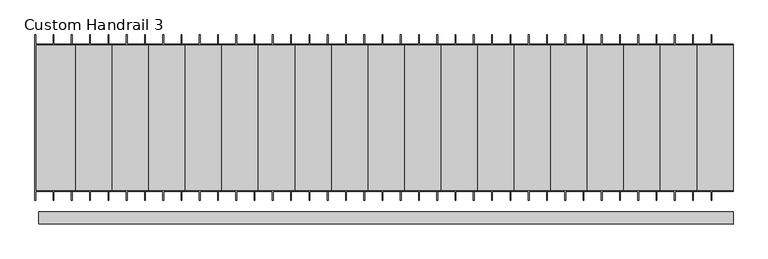
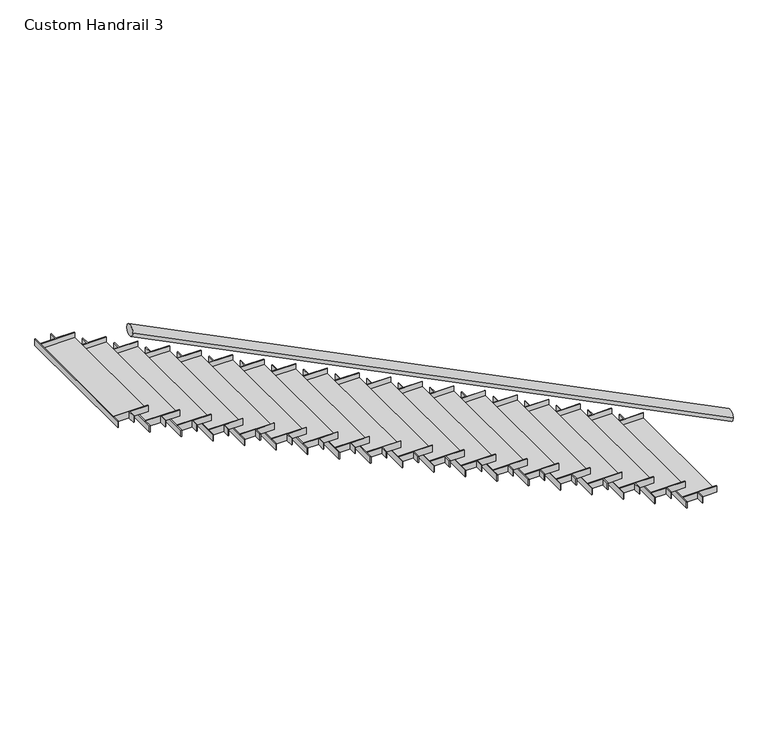
"""IFC4 building model written with IfcOpenShell, lengths in millimetres: railing geometry, Custom Handrail 3."""

from ifc_helpers import new_model, si_unit, frame, origin, place, context, project, spatial, ellipse_curve, faceted_brep, source, transform, mapped, element, save
from ifc_brep_helpers import plane_surface, cylinder_surface, advanced_brep


def custom_handrail_3_3614aa0b(model_context):
    return source(origin(), model_context, "Body", "SolidModel", [
        advanced_brep(
        [(216.7479602, 237.3735586, 1010.0038734), (216.7479602, 338.9735586, 1010.0038734), (-5574.4520398, 237.3735586, 3905.6038734), (-5574.4520398, 338.9735586, 3905.6038734)],
        [
            (0, 1, ellipse_curve(frame((216.7479602, 288.1735586, 1010.0038734), z_axis=(1.0, 0.0, 0.0), x_axis=(0.0, 0.0, -1.0)), 56.7961266, 50.8)),
            (1, 0, ellipse_curve(frame((216.7479602, 288.1735586, 1010.0038734), z_axis=(1.0, 0.0, 0.0), x_axis=(0.0, 0.0, -1.0)), 56.7961266, 50.8)),
            (2, 3, ellipse_curve(frame((-5574.4520398, 288.1735586, 3905.6038734), z_axis=(-1.0, 0.0, 0.0), x_axis=(0.0, 0.0, -1.0)), 56.7961266, 50.8)),
            (3, 2, ellipse_curve(frame((-5574.4520398, 288.1735586, 3905.6038734), z_axis=(-1.0, 0.0, 0.0), x_axis=(0.0, 0.0, -1.0)), 56.7961266, 50.8)),
            (0, 2),
            (3, 1),
        ],
        [
            plane_surface(frame((216.7479602, 288.1735586, 1066.8), z_axis=(1.0, 0.0, 0.0), x_axis=(0.0, -1.0, 0.0))),
            plane_surface(frame((-5574.4520398, 288.1735586, 3962.4), z_axis=(-1.0, 0.0, 0.0), x_axis=(0.0, -1.0, 0.0))),
            cylinder_surface(frame((194.0295095, 288.1735586, 1021.3630987), z_axis=(0.894427190999916, 0.0, -0.447213595499958), x_axis=(0.0, 1.0, 0.0)), 50.8),
        ],
        [
            (0, [[1, 2]]),
            (1, [[3, 4]]),
            (2, [[-1, 5, -4, 6]]),
            (2, [[-2, -6, -3, -5]]),
        ],
    ),
        faceted_brep([(-5269.6520398, 1742.3235586, 2895.6), (-5269.6520398, 1735.9735586, 2895.6), (-5269.6520398, 1735.9735586, 2844.8), (-5269.6520398, 516.7735586, 2844.8), (-5269.6520398, 516.7735586, 2895.6), (-5269.6520398, 510.4235586, 2895.6), (-5269.6520398, 510.4235586, 2832.1), (-5269.6520398, 1742.3235586, 2832.1), (-5447.4520398, 1742.3235586, 2832.1), (-5447.4520398, 1742.3235586, 2895.6), (-5599.8520398, 1742.3235586, 2895.6), (-5453.8020398, 1742.3235586, 2895.6), (-5453.8020398, 1742.3235586, 2832.1), (-5599.8520398, 1742.3235586, 2832.1), (-5447.4520398, 1818.5235586, 2895.6), (-5453.8020398, 1818.5235586, 2895.6), (-5599.8520398, 1818.5235586, 2895.6), (-5606.2020398, 1818.5235586, 2895.6), (-5606.2020398, 434.2235586, 2895.6), (-5599.8520398, 434.2235586, 2895.6), (-5599.8520398, 510.4235586, 2895.6), (-5453.8020398, 510.4235586, 2895.6), (-5453.8020398, 434.2235586, 2895.6), (-5447.4520398, 434.2235586, 2895.6), (-5447.4520398, 510.4235586, 2895.6), (-5599.8520398, 516.7735586, 2895.6), (-5599.8520398, 1735.9735586, 2895.6), (-5599.8520398, 1735.9735586, 2844.8), (-5606.2020398, 1818.5235586, 2832.1), (-5606.2020398, 434.2235586, 2832.1), (-5599.8520398, 516.7735586, 2844.8), (-5447.4520398, 510.4235586, 2832.1), (-5599.8520398, 510.4235586, 2832.1), (-5453.8020398, 510.4235586, 2832.1), (-5447.4520398, 434.2235586, 2832.1), (-5453.8020398, 434.2235586, 2832.1), (-5599.8520398, 434.2235586, 2832.1), (-5599.8520398, 1818.5235586, 2832.1), (-5453.8020398, 1818.5235586, 2832.1), (-5447.4520398, 1818.5235586, 2832.1)], [[[0, 1, 2, 3, 4, 5, 6, 7]], [[0, 7, 8, 9]], [[10, 11, 12, 13]], [[1, 0, 9, 14, 15, 11, 10, 16, 17, 18, 19, 20, 21, 22, 23, 24, 5, 4, 25, 26]], [[2, 1, 26, 27]], [[18, 17, 28, 29]], [[26, 25, 30, 27]], [[6, 5, 24, 31]], [[21, 20, 32, 33]], [[25, 4, 3, 30]], [[3, 2, 27, 30]], [[7, 6, 31, 34, 35, 33, 32, 36, 29, 28, 37, 13, 12, 38, 39, 8]], [[19, 18, 29, 36]], [[20, 19, 36, 32]], [[23, 22, 35, 34]], [[24, 23, 34, 31]], [[22, 21, 33, 35]], [[16, 10, 13, 37]], [[17, 16, 37, 28]], [[11, 15, 38, 12]], [[14, 9, 8, 39]], [[15, 14, 39, 38]]]),
        faceted_brep([(-4964.8520398, 1742.3235586, 2743.2), (-4964.8520398, 1735.9735586, 2743.2), (-4964.8520398, 1735.9735586, 2692.4), (-4964.8520398, 516.7735586, 2692.4), (-4964.8520398, 516.7735586, 2743.2), (-4964.8520398, 510.4235586, 2743.2), (-4964.8520398, 510.4235586, 2679.7), (-4964.8520398, 1742.3235586, 2679.7), (-5142.6520398, 1742.3235586, 2679.7), (-5142.6520398, 1742.3235586, 2743.2), (-5295.0520398, 1742.3235586, 2743.2), (-5149.0020398, 1742.3235586, 2743.2), (-5149.0020398, 1742.3235586, 2679.7), (-5295.0520398, 1742.3235586, 2679.7), (-5142.6520398, 1818.5235586, 2743.2), (-5149.0020398, 1818.5235586, 2743.2), (-5295.0520398, 1818.5235586, 2743.2), (-5301.4020398, 1818.5235586, 2743.2), (-5301.4020398, 434.2235586, 2743.2), (-5295.0520398, 434.2235586, 2743.2), (-5295.0520398, 510.4235586, 2743.2), (-5149.0020398, 510.4235586, 2743.2), (-5149.0020398, 434.2235586, 2743.2), (-5142.6520398, 434.2235586, 2743.2), (-5142.6520398, 510.4235586, 2743.2), (-5295.0520398, 516.7735586, 2743.2), (-5295.0520398, 1735.9735586, 2743.2), (-5295.0520398, 1735.9735586, 2692.4), (-5301.4020398, 1818.5235586, 2679.7), (-5301.4020398, 434.2235586, 2679.7), (-5295.0520398, 516.7735586, 2692.4), (-5142.6520398, 510.4235586, 2679.7), (-5295.0520398, 510.4235586, 2679.7), (-5149.0020398, 510.4235586, 2679.7), (-5142.6520398, 434.2235586, 2679.7), (-5149.0020398, 434.2235586, 2679.7), (-5295.0520398, 434.2235586, 2679.7), (-5295.0520398, 1818.5235586, 2679.7), (-5149.0020398, 1818.5235586, 2679.7), (-5142.6520398, 1818.5235586, 2679.7)], [[[0, 1, 2, 3, 4, 5, 6, 7]], [[0, 7, 8, 9]], [[10, 11, 12, 13]], [[1, 0, 9, 14, 15, 11, 10, 16, 17, 18, 19, 20, 21, 22, 23, 24, 5, 4, 25, 26]], [[2, 1, 26, 27]], [[18, 17, 28, 29]], [[26, 25, 30, 27]], [[6, 5, 24, 31]], [[21, 20, 32, 33]], [[25, 4, 3, 30]], [[3, 2, 27, 30]], [[7, 6, 31, 34, 35, 33, 32, 36, 29, 28, 37, 13, 12, 38, 39, 8]], [[19, 18, 29, 36]], [[20, 19, 36, 32]], [[23, 22, 35, 34]], [[24, 23, 34, 31]], [[22, 21, 33, 35]], [[16, 10, 13, 37]], [[17, 16, 37, 28]], [[11, 15, 38, 12]], [[14, 9, 8, 39]], [[15, 14, 39, 38]]]),
        faceted_brep([(-4660.0520398, 1742.3235586, 2590.8), (-4660.0520398, 1735.9735586, 2590.8), (-4660.0520398, 1735.9735586, 2540.0), (-4660.0520398, 516.7735586, 2540.0), (-4660.0520398, 516.7735586, 2590.8), (-4660.0520398, 510.4235586, 2590.8), (-4660.0520398, 510.4235586, 2527.3), (-4660.0520398, 1742.3235586, 2527.3), (-4837.8520398, 1742.3235586, 2527.3), (-4837.8520398, 1742.3235586, 2590.8), (-4990.2520398, 1742.3235586, 2590.8), (-4844.2020398, 1742.3235586, 2590.8), (-4844.2020398, 1742.3235586, 2527.3), (-4990.2520398, 1742.3235586, 2527.3), (-4837.8520398, 1818.5235586, 2590.8), (-4844.2020398, 1818.5235586, 2590.8), (-4990.2520398, 1818.5235586, 2590.8), (-4996.6020398, 1818.5235586, 2590.8), (-4996.6020398, 434.2235586, 2590.8), (-4990.2520398, 434.2235586, 2590.8), (-4990.2520398, 510.4235586, 2590.8), (-4844.2020398, 510.4235586, 2590.8), (-4844.2020398, 434.2235586, 2590.8), (-4837.8520398, 434.2235586, 2590.8), (-4837.8520398, 510.4235586, 2590.8), (-4990.2520398, 516.7735586, 2590.8), (-4990.2520398, 1735.9735586, 2590.8), (-4990.2520398, 1735.9735586, 2540.0), (-4996.6020398, 1818.5235586, 2527.3), (-4996.6020398, 434.2235586, 2527.3), (-4990.2520398, 516.7735586, 2540.0), (-4837.8520398, 510.4235586, 2527.3), (-4990.2520398, 510.4235586, 2527.3), (-4844.2020398, 510.4235586, 2527.3), (-4837.8520398, 434.2235586, 2527.3), (-4844.2020398, 434.2235586, 2527.3), (-4990.2520398, 434.2235586, 2527.3), (-4990.2520398, 1818.5235586, 2527.3), (-4844.2020398, 1818.5235586, 2527.3), (-4837.8520398, 1818.5235586, 2527.3)], [[[0, 1, 2, 3, 4, 5, 6, 7]], [[0, 7, 8, 9]], [[10, 11, 12, 13]], [[1, 0, 9, 14, 15, 11, 10, 16, 17, 18, 19, 20, 21, 22, 23, 24, 5, 4, 25, 26]], [[2, 1, 26, 27]], [[18, 17, 28, 29]], [[26, 25, 30, 27]], [[6, 5, 24, 31]], [[21, 20, 32, 33]], [[25, 4, 3, 30]], [[3, 2, 27, 30]], [[7, 6, 31, 34, 35, 33, 32, 36, 29, 28, 37, 13, 12, 38, 39, 8]], [[19, 18, 29, 36]], [[20, 19, 36, 32]], [[23, 22, 35, 34]], [[24, 23, 34, 31]], [[22, 21, 33, 35]], [[16, 10, 13, 37]], [[17, 16, 37, 28]], [[11, 15, 38, 12]], [[14, 9, 8, 39]], [[15, 14, 39, 38]]]),
        faceted_brep([(-4355.2520398, 1742.3235586, 2438.4), (-4355.2520398, 1735.9735586, 2438.4), (-4355.2520398, 1735.9735586, 2387.6), (-4355.2520398, 516.7735586, 2387.6), (-4355.2520398, 516.7735586, 2438.4), (-4355.2520398, 510.4235586, 2438.4), (-4355.2520398, 510.4235586, 2374.9), (-4355.2520398, 1742.3235586, 2374.9), (-4533.0520398, 1742.3235586, 2374.9), (-4533.0520398, 1742.3235586, 2438.4), (-4685.4520398, 1742.3235586, 2438.4), (-4539.4020398, 1742.3235586, 2438.4), (-4539.4020398, 1742.3235586, 2374.9), (-4685.4520398, 1742.3235586, 2374.9), (-4533.0520398, 1818.5235586, 2438.4), (-4539.4020398, 1818.5235586, 2438.4), (-4685.4520398, 1818.5235586, 2438.4), (-4691.8020398, 1818.5235586, 2438.4), (-4691.8020398, 434.2235586, 2438.4), (-4685.4520398, 434.2235586, 2438.4), (-4685.4520398, 510.4235586, 2438.4), (-4539.4020398, 510.4235586, 2438.4), (-4539.4020398, 434.2235586, 2438.4), (-4533.0520398, 434.2235586, 2438.4), (-4533.0520398, 510.4235586, 2438.4), (-4685.4520398, 516.7735586, 2438.4), (-4685.4520398, 1735.9735586, 2438.4), (-4685.4520398, 1735.9735586, 2387.6), (-4691.8020398, 1818.5235586, 2374.9), (-4691.8020398, 434.2235586, 2374.9), (-4685.4520398, 516.7735586, 2387.6), (-4533.0520398, 510.4235586, 2374.9), (-4685.4520398, 510.4235586, 2374.9), (-4539.4020398, 510.4235586, 2374.9), (-4533.0520398, 434.2235586, 2374.9), (-4539.4020398, 434.2235586, 2374.9), (-4685.4520398, 434.2235586, 2374.9), (-4685.4520398, 1818.5235586, 2374.9), (-4539.4020398, 1818.5235586, 2374.9), (-4533.0520398, 1818.5235586, 2374.9)], [[[0, 1, 2, 3, 4, 5, 6, 7]], [[0, 7, 8, 9]], [[10, 11, 12, 13]], [[1, 0, 9, 14, 15, 11, 10, 16, 17, 18, 19, 20, 21, 22, 23, 24, 5, 4, 25, 26]], [[2, 1, 26, 27]], [[18, 17, 28, 29]], [[26, 25, 30, 27]], [[6, 5, 24, 31]], [[21, 20, 32, 33]], [[25, 4, 3, 30]], [[3, 2, 27, 30]], [[7, 6, 31, 34, 35, 33, 32, 36, 29, 28, 37, 13, 12, 38, 39, 8]], [[19, 18, 29, 36]], [[20, 19, 36, 32]], [[23, 22, 35, 34]], [[24, 23, 34, 31]], [[22, 21, 33, 35]], [[16, 10, 13, 37]], [[17, 16, 37, 28]], [[11, 15, 38, 12]], [[14, 9, 8, 39]], [[15, 14, 39, 38]]]),
        faceted_brep([(-4050.4520398, 1742.3235586, 2286.0), (-4050.4520398, 1735.9735586, 2286.0), (-4050.4520398, 1735.9735586, 2235.2), (-4050.4520398, 516.7735586, 2235.2), (-4050.4520398, 516.7735586, 2286.0), (-4050.4520398, 510.4235586, 2286.0), (-4050.4520398, 510.4235586, 2222.5), (-4050.4520398, 1742.3235586, 2222.5), (-4228.2520398, 1742.3235586, 2222.5), (-4228.2520398, 1742.3235586, 2286.0), (-4380.6520398, 1742.3235586, 2286.0), (-4234.6020398, 1742.3235586, 2286.0), (-4234.6020398, 1742.3235586, 2222.5), (-4380.6520398, 1742.3235586, 2222.5), (-4228.2520398, 1818.5235586, 2286.0), (-4234.6020398, 1818.5235586, 2286.0), (-4380.6520398, 1818.5235586, 2286.0), (-4387.0020398, 1818.5235586, 2286.0), (-4387.0020398, 434.2235586, 2286.0), (-4380.6520398, 434.2235586, 2286.0), (-4380.6520398, 510.4235586, 2286.0), (-4234.6020398, 510.4235586, 2286.0), (-4234.6020398, 434.2235586, 2286.0), (-4228.2520398, 434.2235586, 2286.0), (-4228.2520398, 510.4235586, 2286.0), (-4380.6520398, 516.7735586, 2286.0), (-4380.6520398, 1735.9735586, 2286.0), (-4380.6520398, 1735.9735586, 2235.2), (-4387.0020398, 1818.5235586, 2222.5), (-4387.0020398, 434.2235586, 2222.5), (-4380.6520398, 516.7735586, 2235.2), (-4228.2520398, 510.4235586, 2222.5), (-4380.6520398, 510.4235586, 2222.5), (-4234.6020398, 510.4235586, 2222.5), (-4228.2520398, 434.2235586, 2222.5), (-4234.6020398, 434.2235586, 2222.5), (-4380.6520398, 434.2235586, 2222.5), (-4380.6520398, 1818.5235586, 2222.5), (-4234.6020398, 1818.5235586, 2222.5), (-4228.2520398, 1818.5235586, 2222.5)], [[[0, 1, 2, 3, 4, 5, 6, 7]], [[0, 7, 8, 9]], [[10, 11, 12, 13]], [[1, 0, 9, 14, 15, 11, 10, 16, 17, 18, 19, 20, 21, 22, 23, 24, 5, 4, 25, 26]], [[2, 1, 26, 27]], [[18, 17, 28, 29]], [[26, 25, 30, 27]], [[6, 5, 24, 31]], [[21, 20, 32, 33]], [[25, 4, 3, 30]], [[3, 2, 27, 30]], [[7, 6, 31, 34, 35, 33, 32, 36, 29, 28, 37, 13, 12, 38, 39, 8]], [[19, 18, 29, 36]], [[20, 19, 36, 32]], [[23, 22, 35, 34]], [[24, 23, 34, 31]], [[22, 21, 33, 35]], [[16, 10, 13, 37]], [[17, 16, 37, 28]], [[11, 15, 38, 12]], [[14, 9, 8, 39]], [[15, 14, 39, 38]]]),
        faceted_brep([(-3745.6520398, 1742.3235586, 2133.6), (-3745.6520398, 1735.9735586, 2133.6), (-3745.6520398, 1735.9735586, 2082.8), (-3745.6520398, 516.7735586, 2082.8), (-3745.6520398, 516.7735586, 2133.6), (-3745.6520398, 510.4235586, 2133.6), (-3745.6520398, 510.4235586, 2070.1), (-3745.6520398, 1742.3235586, 2070.1), (-3923.4520398, 1742.3235586, 2070.1), (-3923.4520398, 1742.3235586, 2133.6), (-4075.8520398, 1742.3235586, 2133.6), (-3929.8020398, 1742.3235586, 2133.6), (-3929.8020398, 1742.3235586, 2070.1), (-4075.8520398, 1742.3235586, 2070.1), (-3923.4520398, 1818.5235586, 2133.6), (-3929.8020398, 1818.5235586, 2133.6), (-4075.8520398, 1818.5235586, 2133.6), (-4082.2020398, 1818.5235586, 2133.6), (-4082.2020398, 434.2235586, 2133.6), (-4075.8520398, 434.2235586, 2133.6), (-4075.8520398, 510.4235586, 2133.6), (-3929.8020398, 510.4235586, 2133.6), (-3929.8020398, 434.2235586, 2133.6), (-3923.4520398, 434.2235586, 2133.6), (-3923.4520398, 510.4235586, 2133.6), (-4075.8520398, 516.7735586, 2133.6), (-4075.8520398, 1735.9735586, 2133.6), (-4075.8520398, 1735.9735586, 2082.8), (-4082.2020398, 1818.5235586, 2070.1), (-4082.2020398, 434.2235586, 2070.1), (-4075.8520398, 516.7735586, 2082.8), (-3923.4520398, 510.4235586, 2070.1), (-4075.8520398, 510.4235586, 2070.1), (-3929.8020398, 510.4235586, 2070.1), (-3923.4520398, 434.2235586, 2070.1), (-3929.8020398, 434.2235586, 2070.1), (-4075.8520398, 434.2235586, 2070.1), (-4075.8520398, 1818.5235586, 2070.1), (-3929.8020398, 1818.5235586, 2070.1), (-3923.4520398, 1818.5235586, 2070.1)], [[[0, 1, 2, 3, 4, 5, 6, 7]], [[0, 7, 8, 9]], [[10, 11, 12, 13]], [[1, 0, 9, 14, 15, 11, 10, 16, 17, 18, 19, 20, 21, 22, 23, 24, 5, 4, 25, 26]], [[2, 1, 26, 27]], [[18, 17, 28, 29]], [[26, 25, 30, 27]], [[6, 5, 24, 31]], [[21, 20, 32, 33]], [[25, 4, 3, 30]], [[3, 2, 27, 30]], [[7, 6, 31, 34, 35, 33, 32, 36, 29, 28, 37, 13, 12, 38, 39, 8]], [[19, 18, 29, 36]], [[20, 19, 36, 32]], [[23, 22, 35, 34]], [[24, 23, 34, 31]], [[22, 21, 33, 35]], [[16, 10, 13, 37]], [[17, 16, 37, 28]], [[11, 15, 38, 12]], [[14, 9, 8, 39]], [[15, 14, 39, 38]]]),
        faceted_brep([(-3440.8520398, 1742.3235586, 1981.2), (-3440.8520398, 1735.9735586, 1981.2), (-3440.8520398, 1735.9735586, 1930.4), (-3440.8520398, 516.7735586, 1930.4), (-3440.8520398, 516.7735586, 1981.2), (-3440.8520398, 510.4235586, 1981.2), (-3440.8520398, 510.4235586, 1917.7), (-3440.8520398, 1742.3235586, 1917.7), (-3618.6520398, 1742.3235586, 1917.7), (-3618.6520398, 1742.3235586, 1981.2), (-3771.0520398, 1742.3235586, 1981.2), (-3625.0020398, 1742.3235586, 1981.2), (-3625.0020398, 1742.3235586, 1917.7), (-3771.0520398, 1742.3235586, 1917.7), (-3618.6520398, 1818.5235586, 1981.2), (-3625.0020398, 1818.5235586, 1981.2), (-3771.0520398, 1818.5235586, 1981.2), (-3777.4020398, 1818.5235586, 1981.2), (-3777.4020398, 434.2235586, 1981.2), (-3771.0520398, 434.2235586, 1981.2), (-3771.0520398, 510.4235586, 1981.2), (-3625.0020398, 510.4235586, 1981.2), (-3625.0020398, 434.2235586, 1981.2), (-3618.6520398, 434.2235586, 1981.2), (-3618.6520398, 510.4235586, 1981.2), (-3771.0520398, 516.7735586, 1981.2), (-3771.0520398, 1735.9735586, 1981.2), (-3771.0520398, 1735.9735586, 1930.4), (-3777.4020398, 1818.5235586, 1917.7), (-3777.4020398, 434.2235586, 1917.7), (-3771.0520398, 516.7735586, 1930.4), (-3618.6520398, 510.4235586, 1917.7), (-3771.0520398, 510.4235586, 1917.7), (-3625.0020398, 510.4235586, 1917.7), (-3618.6520398, 434.2235586, 1917.7), (-3625.0020398, 434.2235586, 1917.7), (-3771.0520398, 434.2235586, 1917.7), (-3771.0520398, 1818.5235586, 1917.7), (-3625.0020398, 1818.5235586, 1917.7), (-3618.6520398, 1818.5235586, 1917.7)], [[[0, 1, 2, 3, 4, 5, 6, 7]], [[0, 7, 8, 9]], [[10, 11, 12, 13]], [[1, 0, 9, 14, 15, 11, 10, 16, 17, 18, 19, 20, 21, 22, 23, 24, 5, 4, 25, 26]], [[2, 1, 26, 27]], [[18, 17, 28, 29]], [[26, 25, 30, 27]], [[6, 5, 24, 31]], [[21, 20, 32, 33]], [[25, 4, 3, 30]], [[3, 2, 27, 30]], [[7, 6, 31, 34, 35, 33, 32, 36, 29, 28, 37, 13, 12, 38, 39, 8]], [[19, 18, 29, 36]], [[20, 19, 36, 32]], [[23, 22, 35, 34]], [[24, 23, 34, 31]], [[22, 21, 33, 35]], [[16, 10, 13, 37]], [[17, 16, 37, 28]], [[11, 15, 38, 12]], [[14, 9, 8, 39]], [[15, 14, 39, 38]]]),
        faceted_brep([(-3136.0520398, 1742.3235586, 1828.8), (-3136.0520398, 1735.9735586, 1828.8), (-3136.0520398, 1735.9735586, 1778.0), (-3136.0520398, 516.7735586, 1778.0), (-3136.0520398, 516.7735586, 1828.8), (-3136.0520398, 510.4235586, 1828.8), (-3136.0520398, 510.4235586, 1765.3), (-3136.0520398, 1742.3235586, 1765.3), (-3313.8520398, 1742.3235586, 1765.3), (-3313.8520398, 1742.3235586, 1828.8), (-3466.2520398, 1742.3235586, 1828.8), (-3320.2020398, 1742.3235586, 1828.8), (-3320.2020398, 1742.3235586, 1765.3), (-3466.2520398, 1742.3235586, 1765.3), (-3313.8520398, 1818.5235586, 1828.8), (-3320.2020398, 1818.5235586, 1828.8), (-3466.2520398, 1818.5235586, 1828.8), (-3472.6020398, 1818.5235586, 1828.8), (-3472.6020398, 434.2235586, 1828.8), (-3466.2520398, 434.2235586, 1828.8), (-3466.2520398, 510.4235586, 1828.8), (-3320.2020398, 510.4235586, 1828.8), (-3320.2020398, 434.2235586, 1828.8), (-3313.8520398, 434.2235586, 1828.8), (-3313.8520398, 510.4235586, 1828.8), (-3466.2520398, 516.7735586, 1828.8), (-3466.2520398, 1735.9735586, 1828.8), (-3466.2520398, 1735.9735586, 1778.0), (-3472.6020398, 1818.5235586, 1765.3), (-3472.6020398, 434.2235586, 1765.3), (-3466.2520398, 516.7735586, 1778.0), (-3313.8520398, 510.4235586, 1765.3), (-3466.2520398, 510.4235586, 1765.3), (-3320.2020398, 510.4235586, 1765.3), (-3313.8520398, 434.2235586, 1765.3), (-3320.2020398, 434.2235586, 1765.3), (-3466.2520398, 434.2235586, 1765.3), (-3466.2520398, 1818.5235586, 1765.3), (-3320.2020398, 1818.5235586, 1765.3), (-3313.8520398, 1818.5235586, 1765.3)], [[[0, 1, 2, 3, 4, 5, 6, 7]], [[0, 7, 8, 9]], [[10, 11, 12, 13]], [[1, 0, 9, 14, 15, 11, 10, 16, 17, 18, 19, 20, 21, 22, 23, 24, 5, 4, 25, 26]], [[2, 1, 26, 27]], [[18, 17, 28, 29]], [[26, 25, 30, 27]], [[6, 5, 24, 31]], [[21, 20, 32, 33]], [[25, 4, 3, 30]], [[3, 2, 27, 30]], [[7, 6, 31, 34, 35, 33, 32, 36, 29, 28, 37, 13, 12, 38, 39, 8]], [[19, 18, 29, 36]], [[20, 19, 36, 32]], [[23, 22, 35, 34]], [[24, 23, 34, 31]], [[22, 21, 33, 35]], [[16, 10, 13, 37]], [[17, 16, 37, 28]], [[11, 15, 38, 12]], [[14, 9, 8, 39]], [[15, 14, 39, 38]]]),
        faceted_brep([(-2831.2520398, 1742.3235586, 1676.4), (-2831.2520398, 1735.9735586, 1676.4), (-2831.2520398, 1735.9735586, 1625.6), (-2831.2520398, 516.7735586, 1625.6), (-2831.2520398, 516.7735586, 1676.4), (-2831.2520398, 510.4235586, 1676.4), (-2831.2520398, 510.4235586, 1612.9), (-2831.2520398, 1742.3235586, 1612.9), (-3009.0520398, 1742.3235586, 1612.9), (-3009.0520398, 1742.3235586, 1676.4), (-3161.4520398, 1742.3235586, 1676.4), (-3015.4020398, 1742.3235586, 1676.4), (-3015.4020398, 1742.3235586, 1612.9), (-3161.4520398, 1742.3235586, 1612.9), (-3009.0520398, 1818.5235586, 1676.4), (-3015.4020398, 1818.5235586, 1676.4), (-3161.4520398, 1818.5235586, 1676.4), (-3167.8020398, 1818.5235586, 1676.4), (-3167.8020398, 434.2235586, 1676.4), (-3161.4520398, 434.2235586, 1676.4), (-3161.4520398, 510.4235586, 1676.4), (-3015.4020398, 510.4235586, 1676.4), (-3015.4020398, 434.2235586, 1676.4), (-3009.0520398, 434.2235586, 1676.4), (-3009.0520398, 510.4235586, 1676.4), (-3161.4520398, 516.7735586, 1676.4), (-3161.4520398, 1735.9735586, 1676.4), (-3161.4520398, 1735.9735586, 1625.6), (-3167.8020398, 1818.5235586, 1612.9), (-3167.8020398, 434.2235586, 1612.9), (-3161.4520398, 516.7735586, 1625.6), (-3009.0520398, 510.4235586, 1612.9), (-3161.4520398, 510.4235586, 1612.9), (-3015.4020398, 510.4235586, 1612.9), (-3009.0520398, 434.2235586, 1612.9), (-3015.4020398, 434.2235586, 1612.9), (-3161.4520398, 434.2235586, 1612.9), (-3161.4520398, 1818.5235586, 1612.9), (-3015.4020398, 1818.5235586, 1612.9), (-3009.0520398, 1818.5235586, 1612.9)], [[[0, 1, 2, 3, 4, 5, 6, 7]], [[0, 7, 8, 9]], [[10, 11, 12, 13]], [[1, 0, 9, 14, 15, 11, 10, 16, 17, 18, 19, 20, 21, 22, 23, 24, 5, 4, 25, 26]], [[2, 1, 26, 27]], [[18, 17, 28, 29]], [[26, 25, 30, 27]], [[6, 5, 24, 31]], [[21, 20, 32, 33]], [[25, 4, 3, 30]], [[3, 2, 27, 30]], [[7, 6, 31, 34, 35, 33, 32, 36, 29, 28, 37, 13, 12, 38, 39, 8]], [[19, 18, 29, 36]], [[20, 19, 36, 32]], [[23, 22, 35, 34]], [[24, 23, 34, 31]], [[22, 21, 33, 35]], [[16, 10, 13, 37]], [[17, 16, 37, 28]], [[11, 15, 38, 12]], [[14, 9, 8, 39]], [[15, 14, 39, 38]]]),
        faceted_brep([(-2526.4520398, 1742.3235586, 1524.0), (-2526.4520398, 1735.9735586, 1524.0), (-2526.4520398, 1735.9735586, 1473.2), (-2526.4520398, 516.7735586, 1473.2), (-2526.4520398, 516.7735586, 1524.0), (-2526.4520398, 510.4235586, 1524.0), (-2526.4520398, 510.4235586, 1460.5), (-2526.4520398, 1742.3235586, 1460.5), (-2704.2520398, 1742.3235586, 1460.5), (-2704.2520398, 1742.3235586, 1524.0), (-2856.6520398, 1742.3235586, 1524.0), (-2710.6020398, 1742.3235586, 1524.0), (-2710.6020398, 1742.3235586, 1460.5), (-2856.6520398, 1742.3235586, 1460.5), (-2704.2520398, 1818.5235586, 1524.0), (-2710.6020398, 1818.5235586, 1524.0), (-2856.6520398, 1818.5235586, 1524.0), (-2863.0020398, 1818.5235586, 1524.0), (-2863.0020398, 434.2235586, 1524.0), (-2856.6520398, 434.2235586, 1524.0), (-2856.6520398, 510.4235586, 1524.0), (-2710.6020398, 510.4235586, 1524.0), (-2710.6020398, 434.2235586, 1524.0), (-2704.2520398, 434.2235586, 1524.0), (-2704.2520398, 510.4235586, 1524.0), (-2856.6520398, 516.7735586, 1524.0), (-2856.6520398, 1735.9735586, 1524.0), (-2856.6520398, 1735.9735586, 1473.2), (-2863.0020398, 1818.5235586, 1460.5), (-2863.0020398, 434.2235586, 1460.5), (-2856.6520398, 516.7735586, 1473.2), (-2704.2520398, 510.4235586, 1460.5), (-2856.6520398, 510.4235586, 1460.5), (-2710.6020398, 510.4235586, 1460.5), (-2704.2520398, 434.2235586, 1460.5), (-2710.6020398, 434.2235586, 1460.5), (-2856.6520398, 434.2235586, 1460.5), (-2856.6520398, 1818.5235586, 1460.5), (-2710.6020398, 1818.5235586, 1460.5), (-2704.2520398, 1818.5235586, 1460.5)], [[[0, 1, 2, 3, 4, 5, 6, 7]], [[0, 7, 8, 9]], [[10, 11, 12, 13]], [[1, 0, 9, 14, 15, 11, 10, 16, 17, 18, 19, 20, 21, 22, 23, 24, 5, 4, 25, 26]], [[2, 1, 26, 27]], [[18, 17, 28, 29]], [[26, 25, 30, 27]], [[6, 5, 24, 31]], [[21, 20, 32, 33]], [[25, 4, 3, 30]], [[3, 2, 27, 30]], [[7, 6, 31, 34, 35, 33, 32, 36, 29, 28, 37, 13, 12, 38, 39, 8]], [[19, 18, 29, 36]], [[20, 19, 36, 32]], [[23, 22, 35, 34]], [[24, 23, 34, 31]], [[22, 21, 33, 35]], [[16, 10, 13, 37]], [[17, 16, 37, 28]], [[11, 15, 38, 12]], [[14, 9, 8, 39]], [[15, 14, 39, 38]]]),
        faceted_brep([(-2221.6520398, 1742.3235586, 1371.6), (-2221.6520398, 1735.9735586, 1371.6), (-2221.6520398, 1735.9735586, 1320.8), (-2221.6520398, 516.7735586, 1320.8), (-2221.6520398, 516.7735586, 1371.6), (-2221.6520398, 510.4235586, 1371.6), (-2221.6520398, 510.4235586, 1308.1), (-2221.6520398, 1742.3235586, 1308.1), (-2399.4520398, 1742.3235586, 1308.1), (-2399.4520398, 1742.3235586, 1371.6), (-2551.8520398, 1742.3235586, 1371.6), (-2405.8020398, 1742.3235586, 1371.6), (-2405.8020398, 1742.3235586, 1308.1), (-2551.8520398, 1742.3235586, 1308.1), (-2399.4520398, 1818.5235586, 1371.6), (-2405.8020398, 1818.5235586, 1371.6), (-2551.8520398, 1818.5235586, 1371.6), (-2558.2020398, 1818.5235586, 1371.6), (-2558.2020398, 434.2235586, 1371.6), (-2551.8520398, 434.2235586, 1371.6), (-2551.8520398, 510.4235586, 1371.6), (-2405.8020398, 510.4235586, 1371.6), (-2405.8020398, 434.2235586, 1371.6), (-2399.4520398, 434.2235586, 1371.6), (-2399.4520398, 510.4235586, 1371.6), (-2551.8520398, 516.7735586, 1371.6), (-2551.8520398, 1735.9735586, 1371.6), (-2551.8520398, 1735.9735586, 1320.8), (-2558.2020398, 1818.5235586, 1308.1), (-2558.2020398, 434.2235586, 1308.1), (-2551.8520398, 516.7735586, 1320.8), (-2399.4520398, 510.4235586, 1308.1), (-2551.8520398, 510.4235586, 1308.1), (-2405.8020398, 510.4235586, 1308.1), (-2399.4520398, 434.2235586, 1308.1), (-2405.8020398, 434.2235586, 1308.1), (-2551.8520398, 434.2235586, 1308.1), (-2551.8520398, 1818.5235586, 1308.1), (-2405.8020398, 1818.5235586, 1308.1), (-2399.4520398, 1818.5235586, 1308.1)], [[[0, 1, 2, 3, 4, 5, 6, 7]], [[0, 7, 8, 9]], [[10, 11, 12, 13]], [[1, 0, 9, 14, 15, 11, 10, 16, 17, 18, 19, 20, 21, 22, 23, 24, 5, 4, 25, 26]], [[2, 1, 26, 27]], [[18, 17, 28, 29]], [[26, 25, 30, 27]], [[6, 5, 24, 31]], [[21, 20, 32, 33]], [[25, 4, 3, 30]], [[3, 2, 27, 30]], [[7, 6, 31, 34, 35, 33, 32, 36, 29, 28, 37, 13, 12, 38, 39, 8]], [[19, 18, 29, 36]], [[20, 19, 36, 32]], [[23, 22, 35, 34]], [[24, 23, 34, 31]], [[22, 21, 33, 35]], [[16, 10, 13, 37]], [[17, 16, 37, 28]], [[11, 15, 38, 12]], [[14, 9, 8, 39]], [[15, 14, 39, 38]]]),
        faceted_brep([(-1916.8520398, 1742.3235586, 1219.2), (-1916.8520398, 1735.9735586, 1219.2), (-1916.8520398, 1735.9735586, 1168.4), (-1916.8520398, 516.7735586, 1168.4), (-1916.8520398, 516.7735586, 1219.2), (-1916.8520398, 510.4235586, 1219.2), (-1916.8520398, 510.4235586, 1155.7), (-1916.8520398, 1742.3235586, 1155.7), (-2094.6520398, 1742.3235586, 1155.7), (-2094.6520398, 1742.3235586, 1219.2), (-2247.0520398, 1742.3235586, 1219.2), (-2101.0020398, 1742.3235586, 1219.2), (-2101.0020398, 1742.3235586, 1155.7), (-2247.0520398, 1742.3235586, 1155.7), (-2094.6520398, 1818.5235586, 1219.2), (-2101.0020398, 1818.5235586, 1219.2), (-2247.0520398, 1818.5235586, 1219.2), (-2253.4020398, 1818.5235586, 1219.2), (-2253.4020398, 434.2235586, 1219.2), (-2247.0520398, 434.2235586, 1219.2), (-2247.0520398, 510.4235586, 1219.2), (-2101.0020398, 510.4235586, 1219.2), (-2101.0020398, 434.2235586, 1219.2), (-2094.6520398, 434.2235586, 1219.2), (-2094.6520398, 510.4235586, 1219.2), (-2247.0520398, 516.7735586, 1219.2), (-2247.0520398, 1735.9735586, 1219.2), (-2247.0520398, 1735.9735586, 1168.4), (-2253.4020398, 1818.5235586, 1155.7), (-2253.4020398, 434.2235586, 1155.7), (-2247.0520398, 516.7735586, 1168.4), (-2094.6520398, 510.4235586, 1155.7), (-2247.0520398, 510.4235586, 1155.7), (-2101.0020398, 510.4235586, 1155.7), (-2094.6520398, 434.2235586, 1155.7), (-2101.0020398, 434.2235586, 1155.7), (-2247.0520398, 434.2235586, 1155.7), (-2247.0520398, 1818.5235586, 1155.7), (-2101.0020398, 1818.5235586, 1155.7), (-2094.6520398, 1818.5235586, 1155.7)], [[[0, 1, 2, 3, 4, 5, 6, 7]], [[0, 7, 8, 9]], [[10, 11, 12, 13]], [[1, 0, 9, 14, 15, 11, 10, 16, 17, 18, 19, 20, 21, 22, 23, 24, 5, 4, 25, 26]], [[2, 1, 26, 27]], [[18, 17, 28, 29]], [[26, 25, 30, 27]], [[6, 5, 24, 31]], [[21, 20, 32, 33]], [[25, 4, 3, 30]], [[3, 2, 27, 30]], [[7, 6, 31, 34, 35, 33, 32, 36, 29, 28, 37, 13, 12, 38, 39, 8]], [[19, 18, 29, 36]], [[20, 19, 36, 32]], [[23, 22, 35, 34]], [[24, 23, 34, 31]], [[22, 21, 33, 35]], [[16, 10, 13, 37]], [[17, 16, 37, 28]], [[11, 15, 38, 12]], [[14, 9, 8, 39]], [[15, 14, 39, 38]]]),
        faceted_brep([(-1612.0520398, 1742.3235586, 1066.8), (-1612.0520398, 1735.9735586, 1066.8), (-1612.0520398, 1735.9735586, 1016.0), (-1612.0520398, 516.7735586, 1016.0), (-1612.0520398, 516.7735586, 1066.8), (-1612.0520398, 510.4235586, 1066.8), (-1612.0520398, 510.4235586, 1003.3), (-1612.0520398, 1742.3235586, 1003.3), (-1789.8520398, 1742.3235586, 1003.3), (-1789.8520398, 1742.3235586, 1066.8), (-1942.2520398, 1742.3235586, 1066.8), (-1796.2020398, 1742.3235586, 1066.8), (-1796.2020398, 1742.3235586, 1003.3), (-1942.2520398, 1742.3235586, 1003.3), (-1789.8520398, 1818.5235586, 1066.8), (-1796.2020398, 1818.5235586, 1066.8), (-1942.2520398, 1818.5235586, 1066.8), (-1948.6020398, 1818.5235586, 1066.8), (-1948.6020398, 434.2235586, 1066.8), (-1942.2520398, 434.2235586, 1066.8), (-1942.2520398, 510.4235586, 1066.8), (-1796.2020398, 510.4235586, 1066.8), (-1796.2020398, 434.2235586, 1066.8), (-1789.8520398, 434.2235586, 1066.8), (-1789.8520398, 510.4235586, 1066.8), (-1942.2520398, 516.7735586, 1066.8), (-1942.2520398, 1735.9735586, 1066.8), (-1942.2520398, 1735.9735586, 1016.0), (-1948.6020398, 1818.5235586, 1003.3), (-1948.6020398, 434.2235586, 1003.3), (-1942.2520398, 516.7735586, 1016.0), (-1789.8520398, 510.4235586, 1003.3), (-1942.2520398, 510.4235586, 1003.3), (-1796.2020398, 510.4235586, 1003.3), (-1789.8520398, 434.2235586, 1003.3), (-1796.2020398, 434.2235586, 1003.3), (-1942.2520398, 434.2235586, 1003.3), (-1942.2520398, 1818.5235586, 1003.3), (-1796.2020398, 1818.5235586, 1003.3), (-1789.8520398, 1818.5235586, 1003.3)], [[[0, 1, 2, 3, 4, 5, 6, 7]], [[0, 7, 8, 9]], [[10, 11, 12, 13]], [[1, 0, 9, 14, 15, 11, 10, 16, 17, 18, 19, 20, 21, 22, 23, 24, 5, 4, 25, 26]], [[2, 1, 26, 27]], [[18, 17, 28, 29]], [[26, 25, 30, 27]], [[6, 5, 24, 31]], [[21, 20, 32, 33]], [[25, 4, 3, 30]], [[3, 2, 27, 30]], [[7, 6, 31, 34, 35, 33, 32, 36, 29, 28, 37, 13, 12, 38, 39, 8]], [[19, 18, 29, 36]], [[20, 19, 36, 32]], [[23, 22, 35, 34]], [[24, 23, 34, 31]], [[22, 21, 33, 35]], [[16, 10, 13, 37]], [[17, 16, 37, 28]], [[11, 15, 38, 12]], [[14, 9, 8, 39]], [[15, 14, 39, 38]]]),
        faceted_brep([(-1307.2520398, 1742.3235586, 914.4), (-1307.2520398, 1735.9735586, 914.4), (-1307.2520398, 1735.9735586, 863.6), (-1307.2520398, 516.7735586, 863.6), (-1307.2520398, 516.7735586, 914.4), (-1307.2520398, 510.4235586, 914.4), (-1307.2520398, 510.4235586, 850.9), (-1307.2520398, 1742.3235586, 850.9), (-1485.0520398, 1742.3235586, 850.9), (-1485.0520398, 1742.3235586, 914.4), (-1637.4520398, 1742.3235586, 914.4), (-1491.4020398, 1742.3235586, 914.4), (-1491.4020398, 1742.3235586, 850.9), (-1637.4520398, 1742.3235586, 850.9), (-1485.0520398, 1818.5235586, 914.4), (-1491.4020398, 1818.5235586, 914.4), (-1637.4520398, 1818.5235586, 914.4), (-1643.8020398, 1818.5235586, 914.4), (-1643.8020398, 434.2235586, 914.4), (-1637.4520398, 434.2235586, 914.4), (-1637.4520398, 510.4235586, 914.4), (-1491.4020398, 510.4235586, 914.4), (-1491.4020398, 434.2235586, 914.4), (-1485.0520398, 434.2235586, 914.4), (-1485.0520398, 510.4235586, 914.4), (-1637.4520398, 516.7735586, 914.4), (-1637.4520398, 1735.9735586, 914.4), (-1637.4520398, 1735.9735586, 863.6), (-1643.8020398, 1818.5235586, 850.9), (-1643.8020398, 434.2235586, 850.9), (-1637.4520398, 516.7735586, 863.6), (-1485.0520398, 510.4235586, 850.9), (-1637.4520398, 510.4235586, 850.9), (-1491.4020398, 510.4235586, 850.9), (-1485.0520398, 434.2235586, 850.9), (-1491.4020398, 434.2235586, 850.9), (-1637.4520398, 434.2235586, 850.9), (-1637.4520398, 1818.5235586, 850.9), (-1491.4020398, 1818.5235586, 850.9), (-1485.0520398, 1818.5235586, 850.9)], [[[0, 1, 2, 3, 4, 5, 6, 7]], [[0, 7, 8, 9]], [[10, 11, 12, 13]], [[1, 0, 9, 14, 15, 11, 10, 16, 17, 18, 19, 20, 21, 22, 23, 24, 5, 4, 25, 26]], [[2, 1, 26, 27]], [[18, 17, 28, 29]], [[26, 25, 30, 27]], [[6, 5, 24, 31]], [[21, 20, 32, 33]], [[25, 4, 3, 30]], [[3, 2, 27, 30]], [[7, 6, 31, 34, 35, 33, 32, 36, 29, 28, 37, 13, 12, 38, 39, 8]], [[19, 18, 29, 36]], [[20, 19, 36, 32]], [[23, 22, 35, 34]], [[24, 23, 34, 31]], [[22, 21, 33, 35]], [[16, 10, 13, 37]], [[17, 16, 37, 28]], [[11, 15, 38, 12]], [[14, 9, 8, 39]], [[15, 14, 39, 38]]]),
        faceted_brep([(-1002.4520398, 1742.3235586, 762.0), (-1002.4520398, 1735.9735586, 762.0), (-1002.4520398, 1735.9735586, 711.2), (-1002.4520398, 516.7735586, 711.2), (-1002.4520398, 516.7735586, 762.0), (-1002.4520398, 510.4235586, 762.0), (-1002.4520398, 510.4235586, 698.5), (-1002.4520398, 1742.3235586, 698.5), (-1180.2520398, 1742.3235586, 698.5), (-1180.2520398, 1742.3235586, 762.0), (-1332.6520398, 1742.3235586, 762.0), (-1186.6020398, 1742.3235586, 762.0), (-1186.6020398, 1742.3235586, 698.5), (-1332.6520398, 1742.3235586, 698.5), (-1180.2520398, 1818.5235586, 762.0), (-1186.6020398, 1818.5235586, 762.0), (-1332.6520398, 1818.5235586, 762.0), (-1339.0020398, 1818.5235586, 762.0), (-1339.0020398, 434.2235586, 762.0), (-1332.6520398, 434.2235586, 762.0), (-1332.6520398, 510.4235586, 762.0), (-1186.6020398, 510.4235586, 762.0), (-1186.6020398, 434.2235586, 762.0), (-1180.2520398, 434.2235586, 762.0), (-1180.2520398, 510.4235586, 762.0), (-1332.6520398, 516.7735586, 762.0), (-1332.6520398, 1735.9735586, 762.0), (-1332.6520398, 1735.9735586, 711.2), (-1339.0020398, 1818.5235586, 698.5), (-1339.0020398, 434.2235586, 698.5), (-1332.6520398, 516.7735586, 711.2), (-1180.2520398, 510.4235586, 698.5), (-1332.6520398, 510.4235586, 698.5), (-1186.6020398, 510.4235586, 698.5), (-1180.2520398, 434.2235586, 698.5), (-1186.6020398, 434.2235586, 698.5), (-1332.6520398, 434.2235586, 698.5), (-1332.6520398, 1818.5235586, 698.5), (-1186.6020398, 1818.5235586, 698.5), (-1180.2520398, 1818.5235586, 698.5)], [[[0, 1, 2, 3, 4, 5, 6, 7]], [[0, 7, 8, 9]], [[10, 11, 12, 13]], [[1, 0, 9, 14, 15, 11, 10, 16, 17, 18, 19, 20, 21, 22, 23, 24, 5, 4, 25, 26]], [[2, 1, 26, 27]], [[18, 17, 28, 29]], [[26, 25, 30, 27]], [[6, 5, 24, 31]], [[21, 20, 32, 33]], [[25, 4, 3, 30]], [[3, 2, 27, 30]], [[7, 6, 31, 34, 35, 33, 32, 36, 29, 28, 37, 13, 12, 38, 39, 8]], [[19, 18, 29, 36]], [[20, 19, 36, 32]], [[23, 22, 35, 34]], [[24, 23, 34, 31]], [[22, 21, 33, 35]], [[16, 10, 13, 37]], [[17, 16, 37, 28]], [[11, 15, 38, 12]], [[14, 9, 8, 39]], [[15, 14, 39, 38]]]),
        faceted_brep([(-697.6520398, 1742.3235586, 609.6), (-697.6520398, 1735.9735586, 609.6), (-697.6520398, 1735.9735586, 558.8), (-697.6520398, 516.7735586, 558.8), (-697.6520398, 516.7735586, 609.6), (-697.6520398, 510.4235586, 609.6), (-697.6520398, 510.4235586, 546.1), (-697.6520398, 1742.3235586, 546.1), (-875.4520398, 1742.3235586, 546.1), (-875.4520398, 1742.3235586, 609.6), (-1027.8520398, 1742.3235586, 609.6), (-881.8020398, 1742.3235586, 609.6), (-881.8020398, 1742.3235586, 546.1), (-1027.8520398, 1742.3235586, 546.1), (-875.4520398, 1818.5235586, 609.6), (-881.8020398, 1818.5235586, 609.6), (-1027.8520398, 1818.5235586, 609.6), (-1034.2020398, 1818.5235586, 609.6), (-1034.2020398, 434.2235586, 609.6), (-1027.8520398, 434.2235586, 609.6), (-1027.8520398, 510.4235586, 609.6), (-881.8020398, 510.4235586, 609.6), (-881.8020398, 434.2235586, 609.6), (-875.4520398, 434.2235586, 609.6), (-875.4520398, 510.4235586, 609.6), (-1027.8520398, 516.7735586, 609.6), (-1027.8520398, 1735.9735586, 609.6), (-1027.8520398, 1735.9735586, 558.8), (-1034.2020398, 1818.5235586, 546.1), (-1034.2020398, 434.2235586, 546.1), (-1027.8520398, 516.7735586, 558.8), (-875.4520398, 510.4235586, 546.1), (-1027.8520398, 510.4235586, 546.1), (-881.8020398, 510.4235586, 546.1), (-875.4520398, 434.2235586, 546.1), (-881.8020398, 434.2235586, 546.1), (-1027.8520398, 434.2235586, 546.1), (-1027.8520398, 1818.5235586, 546.1), (-881.8020398, 1818.5235586, 546.1), (-875.4520398, 1818.5235586, 546.1)], [[[0, 1, 2, 3, 4, 5, 6, 7]], [[0, 7, 8, 9]], [[10, 11, 12, 13]], [[1, 0, 9, 14, 15, 11, 10, 16, 17, 18, 19, 20, 21, 22, 23, 24, 5, 4, 25, 26]], [[2, 1, 26, 27]], [[18, 17, 28, 29]], [[26, 25, 30, 27]], [[6, 5, 24, 31]], [[21, 20, 32, 33]], [[25, 4, 3, 30]], [[3, 2, 27, 30]], [[7, 6, 31, 34, 35, 33, 32, 36, 29, 28, 37, 13, 12, 38, 39, 8]], [[19, 18, 29, 36]], [[20, 19, 36, 32]], [[23, 22, 35, 34]], [[24, 23, 34, 31]], [[22, 21, 33, 35]], [[16, 10, 13, 37]], [[17, 16, 37, 28]], [[11, 15, 38, 12]], [[14, 9, 8, 39]], [[15, 14, 39, 38]]]),
        faceted_brep([(-392.8520398, 1742.3235586, 457.2), (-392.8520398, 1735.9735586, 457.2), (-392.8520398, 1735.9735586, 406.4), (-392.8520398, 516.7735586, 406.4), (-392.8520398, 516.7735586, 457.2), (-392.8520398, 510.4235586, 457.2), (-392.8520398, 510.4235586, 393.7), (-392.8520398, 1742.3235586, 393.7), (-570.6520398, 1742.3235586, 393.7), (-570.6520398, 1742.3235586, 457.2), (-723.0520398, 1742.3235586, 457.2), (-577.0020398, 1742.3235586, 457.2), (-577.0020398, 1742.3235586, 393.7), (-723.0520398, 1742.3235586, 393.7), (-570.6520398, 1818.5235586, 457.2), (-577.0020398, 1818.5235586, 457.2), (-723.0520398, 1818.5235586, 457.2), (-729.4020398, 1818.5235586, 457.2), (-729.4020398, 434.2235586, 457.2), (-723.0520398, 434.2235586, 457.2), (-723.0520398, 510.4235586, 457.2), (-577.0020398, 510.4235586, 457.2), (-577.0020398, 434.2235586, 457.2), (-570.6520398, 434.2235586, 457.2), (-570.6520398, 510.4235586, 457.2), (-723.0520398, 516.7735586, 457.2), (-723.0520398, 1735.9735586, 457.2), (-723.0520398, 1735.9735586, 406.4), (-729.4020398, 1818.5235586, 393.7), (-729.4020398, 434.2235586, 393.7), (-723.0520398, 516.7735586, 406.4), (-570.6520398, 510.4235586, 393.7), (-723.0520398, 510.4235586, 393.7), (-577.0020398, 510.4235586, 393.7), (-570.6520398, 434.2235586, 393.7), (-577.0020398, 434.2235586, 393.7), (-723.0520398, 434.2235586, 393.7), (-723.0520398, 1818.5235586, 393.7), (-577.0020398, 1818.5235586, 393.7), (-570.6520398, 1818.5235586, 393.7)], [[[0, 1, 2, 3, 4, 5, 6, 7]], [[0, 7, 8, 9]], [[10, 11, 12, 13]], [[1, 0, 9, 14, 15, 11, 10, 16, 17, 18, 19, 20, 21, 22, 23, 24, 5, 4, 25, 26]], [[2, 1, 26, 27]], [[18, 17, 28, 29]], [[26, 25, 30, 27]], [[6, 5, 24, 31]], [[21, 20, 32, 33]], [[25, 4, 3, 30]], [[3, 2, 27, 30]], [[7, 6, 31, 34, 35, 33, 32, 36, 29, 28, 37, 13, 12, 38, 39, 8]], [[19, 18, 29, 36]], [[20, 19, 36, 32]], [[23, 22, 35, 34]], [[24, 23, 34, 31]], [[22, 21, 33, 35]], [[16, 10, 13, 37]], [[17, 16, 37, 28]], [[11, 15, 38, 12]], [[14, 9, 8, 39]], [[15, 14, 39, 38]]]),
        faceted_brep([(-88.0520398, 1742.3235586, 304.8), (-88.0520398, 1735.9735586, 304.8), (-88.0520398, 1735.9735586, 254.0), (-88.0520398, 516.7735586, 254.0), (-88.0520398, 516.7735586, 304.8), (-88.0520398, 510.4235586, 304.8), (-88.0520398, 510.4235586, 241.3), (-88.0520398, 1742.3235586, 241.3), (-265.8520398, 1742.3235586, 241.3), (-265.8520398, 1742.3235586, 304.8), (-418.2520398, 1742.3235586, 304.8), (-272.2020398, 1742.3235586, 304.8), (-272.2020398, 1742.3235586, 241.3), (-418.2520398, 1742.3235586, 241.3), (-265.8520398, 1818.5235586, 304.8), (-272.2020398, 1818.5235586, 304.8), (-418.2520398, 1818.5235586, 304.8), (-424.6020398, 1818.5235586, 304.8), (-424.6020398, 434.2235586, 304.8), (-418.2520398, 434.2235586, 304.8), (-418.2520398, 510.4235586, 304.8), (-272.2020398, 510.4235586, 304.8), (-272.2020398, 434.2235586, 304.8), (-265.8520398, 434.2235586, 304.8), (-265.8520398, 510.4235586, 304.8), (-418.2520398, 516.7735586, 304.8), (-418.2520398, 1735.9735586, 304.8), (-418.2520398, 1735.9735586, 254.0), (-424.6020398, 1818.5235586, 241.3), (-424.6020398, 434.2235586, 241.3), (-418.2520398, 516.7735586, 254.0), (-265.8520398, 510.4235586, 241.3), (-418.2520398, 510.4235586, 241.3), (-272.2020398, 510.4235586, 241.3), (-265.8520398, 434.2235586, 241.3), (-272.2020398, 434.2235586, 241.3), (-418.2520398, 434.2235586, 241.3), (-418.2520398, 1818.5235586, 241.3), (-272.2020398, 1818.5235586, 241.3), (-265.8520398, 1818.5235586, 241.3)], [[[0, 1, 2, 3, 4, 5, 6, 7]], [[0, 7, 8, 9]], [[10, 11, 12, 13]], [[1, 0, 9, 14, 15, 11, 10, 16, 17, 18, 19, 20, 21, 22, 23, 24, 5, 4, 25, 26]], [[2, 1, 26, 27]], [[18, 17, 28, 29]], [[26, 25, 30, 27]], [[6, 5, 24, 31]], [[21, 20, 32, 33]], [[25, 4, 3, 30]], [[3, 2, 27, 30]], [[7, 6, 31, 34, 35, 33, 32, 36, 29, 28, 37, 13, 12, 38, 39, 8]], [[19, 18, 29, 36]], [[20, 19, 36, 32]], [[23, 22, 35, 34]], [[24, 23, 34, 31]], [[22, 21, 33, 35]], [[16, 10, 13, 37]], [[17, 16, 37, 28]], [[11, 15, 38, 12]], [[14, 9, 8, 39]], [[15, 14, 39, 38]]]),
        faceted_brep([(216.7479602, 1742.3235586, 152.4), (216.7479602, 1735.9735586, 152.4), (216.7479602, 1735.9735586, 101.6), (216.7479602, 516.7735586, 101.6), (216.7479602, 516.7735586, 152.4), (216.7479602, 510.4235586, 152.4), (216.7479602, 510.4235586, 88.9), (216.7479602, 1742.3235586, 88.9), (38.9479602, 1742.3235586, 88.9), (38.9479602, 1742.3235586, 152.4), (-113.4520398, 1742.3235586, 152.4), (32.5979602, 1742.3235586, 152.4), (32.5979602, 1742.3235586, 88.9), (-113.4520398, 1742.3235586, 88.9), (38.9479602, 1818.5235586, 152.4), (32.5979602, 1818.5235586, 152.4), (-113.4520398, 1818.5235586, 152.4), (-119.8020398, 1818.5235586, 152.4), (-119.8020398, 434.2235586, 152.4), (-113.4520398, 434.2235586, 152.4), (-113.4520398, 510.4235586, 152.4), (32.5979602, 510.4235586, 152.4), (32.5979602, 434.2235586, 152.4), (38.9479602, 434.2235586, 152.4), (38.9479602, 510.4235586, 152.4), (-113.4520398, 516.7735586, 152.4), (-113.4520398, 1735.9735586, 152.4), (-113.4520398, 1735.9735586, 101.6), (-119.8020398, 1818.5235586, 88.9), (-119.8020398, 434.2235586, 88.9), (-113.4520398, 516.7735586, 101.6), (38.9479602, 510.4235586, 88.9), (-113.4520398, 510.4235586, 88.9), (32.5979602, 510.4235586, 88.9), (38.9479602, 434.2235586, 88.9), (32.5979602, 434.2235586, 88.9), (-113.4520398, 434.2235586, 88.9), (-113.4520398, 1818.5235586, 88.9), (32.5979602, 1818.5235586, 88.9), (38.9479602, 1818.5235586, 88.9)], [[[0, 1, 2, 3, 4, 5, 6, 7]], [[0, 7, 8, 9]], [[10, 11, 12, 13]], [[1, 0, 9, 14, 15, 11, 10, 16, 17, 18, 19, 20, 21, 22, 23, 24, 5, 4, 25, 26]], [[2, 1, 26, 27]], [[18, 17, 28, 29]], [[26, 25, 30, 27]], [[6, 5, 24, 31]], [[21, 20, 32, 33]], [[25, 4, 3, 30]], [[3, 2, 27, 30]], [[7, 6, 31, 34, 35, 33, 32, 36, 29, 28, 37, 13, 12, 38, 39, 8]], [[19, 18, 29, 36]], [[20, 19, 36, 32]], [[23, 22, 35, 34]], [[24, 23, 34, 31]], [[22, 21, 33, 35]], [[16, 10, 13, 37]], [[17, 16, 37, 28]], [[11, 15, 38, 12]], [[14, 9, 8, 39]], [[15, 14, 39, 38]]]),
    ])


if __name__ == "__main__":
    model = new_model("IFC4")
    model_context = context("Model", 3, world=origin())
    ifc_project = project(units=[si_unit("LENGTHUNIT", "METRE", prefix="MILLI")], contexts=[model_context])
    site = spatial("IfcSite", under=ifc_project)
    building = spatial("IfcBuilding", under=site)
    placement = place(None, origin())
    custom_handrail_3_shape = custom_handrail_3_3614aa0b(model_context)
    element("IfcRailing", 1, ObjectType="Custom Handrail 3", at=placement, inside=building, context=model_context, shape_type="MappedRepresentation", body=[
        mapped(custom_handrail_3_shape, transform((0.0, 0.0, 0.0), x_axis=(1.0, 0.0, 0.0), y_axis=(0.0, 1.0, 0.0), z_axis=(0.0, 0.0, 1.0))),
    ])
    save(model, "model.ifc")
